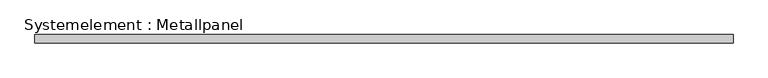
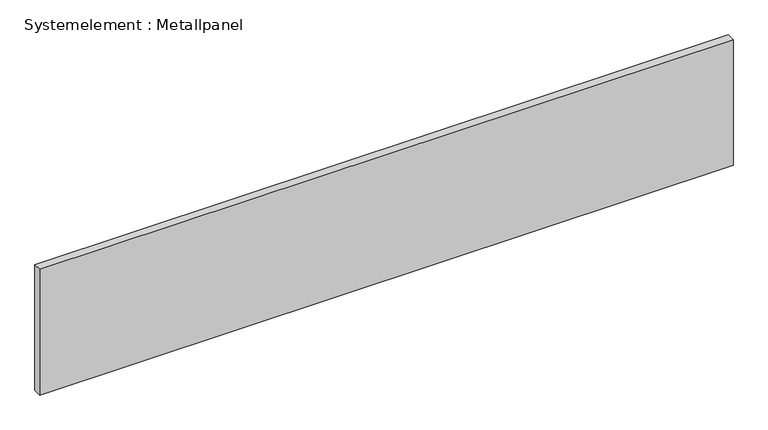
"""IFC4 building model written with IfcOpenShell, lengths in millimetres: plate geometry, Systemelement : Metallpanel."""

from ifc_helpers import new_model, si_unit, origin, origin_with_axes, place, context, project, spatial, polyline, outline, extrude, source, transform, mapped, element, save


def systemelement_metallpanel_88e461d8(model_context):
    return source(origin(), model_context, "Body", "SweptSolid", [
        extrude(outline(polyline([(1277.0224905, -15.0), (-1277.0224905, -15.0), (-1277.0224905, 15.0), (1277.0224905, 15.0), (1277.0224905, -15.0)])), origin_with_axes(), (0.0, 0.0, 1.0), 490.0),
    ])


if __name__ == "__main__":
    model = new_model("IFC4")
    model_context = context("Model", 3, world=origin())
    ifc_project = project(units=[si_unit("LENGTHUNIT", "METRE", prefix="MILLI")], contexts=[model_context])
    site = spatial("IfcSite", under=ifc_project)
    building = spatial("IfcBuilding", under=site)
    placement = place(None, origin())
    systemelement_metallpanel_shape = systemelement_metallpanel_88e461d8(model_context)
    element("IfcPlate", 1, ObjectType="Systemelement : Metallpanel", at=placement, inside=building, context=model_context, shape_type="MappedRepresentation", body=[
        mapped(systemelement_metallpanel_shape, transform((0.0, 0.0, 0.0), x_axis=(1.0, 0.0, 0.0), y_axis=(0.0, 1.0, 0.0), z_axis=(0.0, 0.0, 1.0))),
    ])
    save(model, "model.ifc")
